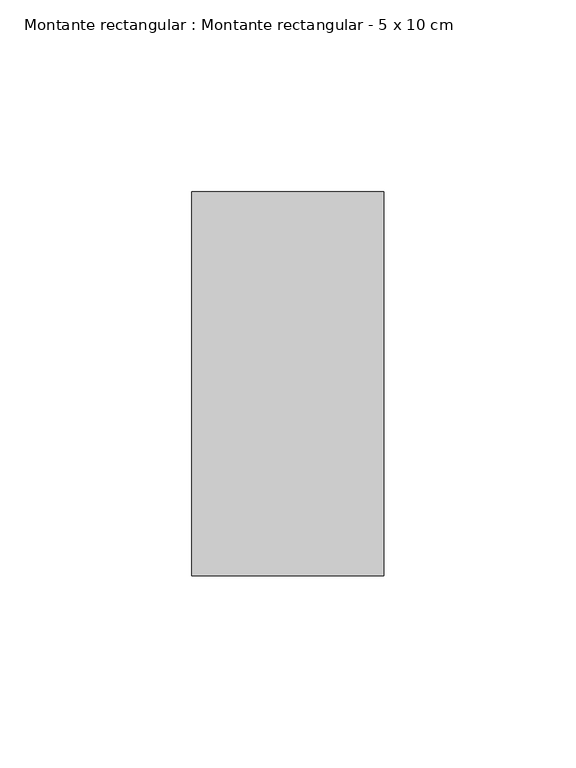
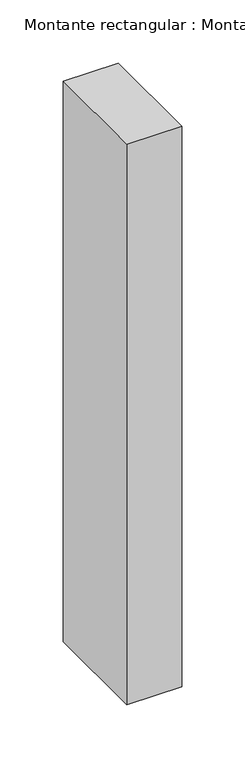
"""IFC4 building model written with IfcOpenShell, lengths in millimetres: member geometry, Montante rectangular : Montante rectangular - 5 x 10 cm."""

from ifc_helpers import new_model, si_unit, frame, origin, place, context, project, spatial, polyline, outline, extrude, source, transform, mapped, element, save


def montante_rectangular_montante_rectangular_5_x_10_cm_df3bb558(model_context):
    return source(origin(), model_context, "Body", "SweptSolid", [
        extrude(outline(polyline([(-50.0, 50.0), (0.0, 50.0), (0.0, -50.0), (-50.0, -50.0), (-50.0, 50.0)])), frame((0.0, 0.0, -540.0), z_axis=(0.0, 0.0, 1.0), x_axis=(1.0, 0.0, 0.0)), (0.0, 0.0, 1.0), 540.0),
    ])


if __name__ == "__main__":
    model = new_model("IFC4")
    model_context = context("Model", 3, world=origin())
    ifc_project = project(units=[si_unit("LENGTHUNIT", "METRE", prefix="MILLI")], contexts=[model_context])
    site = spatial("IfcSite", under=ifc_project)
    building = spatial("IfcBuilding", under=site)
    placement = place(None, origin())
    montante_rectangular_montante_rectangular_5_x_10_cm_shape = montante_rectangular_montante_rectangular_5_x_10_cm_df3bb558(model_context)
    element("IfcMember", 1, ObjectType="Montante rectangular : Montante rectangular - 5 x 10 cm", at=placement, inside=building, context=model_context, shape_type="MappedRepresentation", body=[
        mapped(montante_rectangular_montante_rectangular_5_x_10_cm_shape, transform((0.0, 0.0, 0.0), x_axis=(1.0, 0.0, 0.0), y_axis=(0.0, 1.0, 0.0), z_axis=(0.0, 0.0, 1.0))),
    ])
    save(model, "model.ifc")
